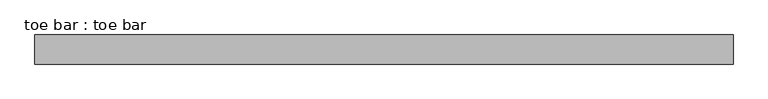
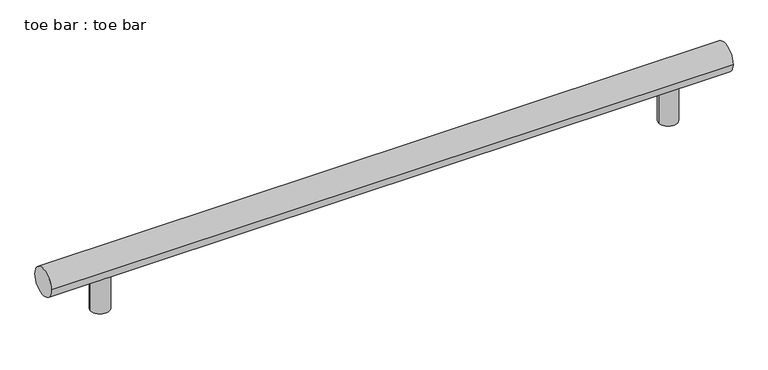
"""IFC4 building model written with IfcOpenShell, lengths in millimetres: proxy geometry, toe bar : toe bar."""

from ifc_helpers import new_model, si_unit, point, frame, frame_2d, origin, origin_with_axes, place, context, project, spatial, circle_curve, trimmed, segment, composite_curve, outline, extrude, source, transform, mapped, element, save


def toe_bar_toe_bar_0e5f8d05(model_context):
    return source(origin(), model_context, "Body", "SweptSolid", [
        extrude(outline(composite_curve([segment(trimmed(circle_curve(frame_2d((-762.0, -254.0)), 25.4), [point((-787.4, -254.0))], [point((-736.6, -254.0))], False, "CARTESIAN"), True, "CONTINUOUS"), segment(trimmed(circle_curve(frame_2d((-762.0, -254.0)), 25.4), [point((-736.6, -254.0))], [point((-787.4, -254.0))], False, "CARTESIAN"), True, "CONTINUOUS")], self_intersect=False)), origin_with_axes(), (0.0, 0.0, 1.0), 101.6),
        extrude(outline(composite_curve([segment(trimmed(circle_curve(frame_2d((762.0, -254.0)), 25.4), [point((736.6, -254.0))], [point((787.4, -254.0))], False, "CARTESIAN"), True, "CONTINUOUS"), segment(trimmed(circle_curve(frame_2d((762.0, -254.0)), 25.4), [point((787.4, -254.0))], [point((736.6, -254.0))], False, "CARTESIAN"), True, "CONTINUOUS")], self_intersect=False)), origin_with_axes(), (0.0, 0.0, 1.0), 101.6),
        extrude(outline(composite_curve([segment(trimmed(circle_curve(frame_2d((-254.0, 127.0)), 38.1), [point((-292.1, 127.0))], [point((-215.9, 127.0))], False, "CARTESIAN"), True, "CONTINUOUS"), segment(trimmed(circle_curve(frame_2d((-254.0, 127.0)), 38.1), [point((-215.9, 127.0))], [point((-292.1, 127.0))], False, "CARTESIAN"), True, "CONTINUOUS")], self_intersect=False)), frame((-914.4, 0.0, 0.0), z_axis=(1.0, 0.0, 0.0), x_axis=(0.0, 1.0, 0.0)), (0.0, 0.0, 1.0), 1828.8),
    ])


if __name__ == "__main__":
    model = new_model("IFC4")
    model_context = context("Model", 3, world=origin())
    ifc_project = project(units=[si_unit("LENGTHUNIT", "METRE", prefix="MILLI")], contexts=[model_context])
    site = spatial("IfcSite", under=ifc_project)
    building = spatial("IfcBuilding", under=site)
    placement = place(None, origin())
    toe_bar_toe_bar_shape = toe_bar_toe_bar_0e5f8d05(model_context)
    element("IfcBuildingElementProxy", 1, Name="toe bar : toe bar", ObjectType="toe bar : toe bar", at=placement, inside=building, context=model_context, shape_type="MappedRepresentation", body=[
        mapped(toe_bar_toe_bar_shape, transform((0.0, 0.0, 0.0), x_axis=(1.0, 0.0, 0.0), y_axis=(0.0, 1.0, 0.0), z_axis=(0.0, 0.0, 1.0))),
    ])
    save(model, "model.ifc")
